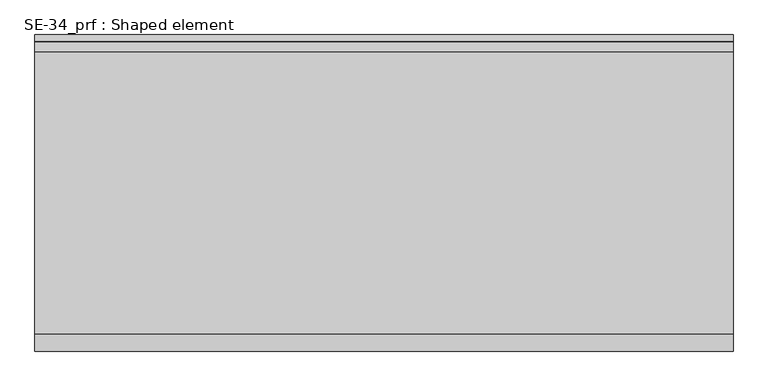
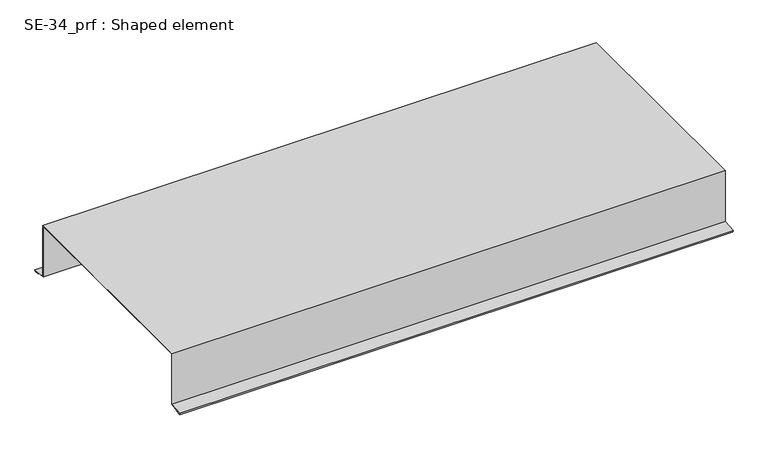
"""IFC4 building model written with IfcOpenShell, lengths in millimetres: proxy geometry, SE-34_prf : Shaped element."""

import ifcopenshell
import ifcopenshell.guid

model = None  # the IFC model being written
_history = None  # IfcOwnerHistory: only IFC2X3 demands one
_inside = {}  # id of a spatial element -> (the spatial element, [elements in it])
_under = {}  # id of a project, library or spatial element -> (it, [spatial elements below it])
_declared = {}  # id of a project -> (the project, [libraries it declares])
_typed = {}  # id of a type object -> (the type object, [elements of that type])
_made_of = {}  # id of a material, layer set ... -> (it, [elements and type objects made of it])


def new_model(schema):
    """Start an empty IFC model of exactly this schema.

    Asked for "IFC4X3", IfcOpenShell would pick the latest addendum, in which some entities
    have other attributes; the version numbers below select the first issue.
    IFC2X3 requires an IfcOwnerHistory on every rooted entity: one is made here for all.
    """
    global model, _history
    if schema == "IFC4X3":
        model = ifcopenshell.file(schema_version=(4, 3, 0, 0))
    else:
        model = ifcopenshell.file(schema=schema)
    _inside.clear()
    _under.clear()
    _declared.clear()
    _typed.clear()
    _made_of.clear()
    _history = None
    if model.schema == "IFC2X3":
        org = make("IfcOrganization", Name="unknown")
        user = make(
            "IfcPersonAndOrganization",
            ThePerson=make("IfcPerson", FamilyName="unknown"),
            TheOrganization=org,
        )
        app = make(
            "IfcApplication",
            ApplicationDeveloper=org,
            Version="unknown",
            ApplicationFullName="unknown",
            ApplicationIdentifier="unknown",
        )
        _history = make(
            "IfcOwnerHistory",
            OwningUser=user,
            OwningApplication=app,
            ChangeAction="ADDED",
            CreationDate=0,
        )
    return model


def make(cls, **values):
    """One entity of the class cls with the attributes given. An attribute that is None is left unset."""
    return model.create_entity(
        cls, **{name: value for name, value in values.items() if value is not None}
    )


def rooted(cls, **values):
    """An entity with a GlobalId (a new one), such as an element, a storey or a relation."""
    return make(cls, GlobalId=ifcopenshell.guid.new(), OwnerHistory=_history, **values)


def si_unit(unit_type, name, prefix=None):
    """IfcSIUnit, for example si_unit("LENGTHUNIT", "METRE", prefix="MILLI")."""
    return make("IfcSIUnit", UnitType=unit_type, Prefix=prefix, Name=name)


def assignment(units):
    """IfcUnitAssignment: the units of a project."""
    return None if units is None else make("IfcUnitAssignment", Units=units)


def point(xyz):
    """IfcCartesianPoint."""
    return None if xyz is None else make("IfcCartesianPoint", Coordinates=xyz)


def direction(xyz):
    """IfcDirection."""
    return None if xyz is None else make("IfcDirection", DirectionRatios=xyz)


def frame(location, z_axis=None, x_axis=None):
    """IfcAxis2Placement3D, a coordinate frame: its origin and axes. An axis left out is left unset."""
    return make(
        "IfcAxis2Placement3D",
        Location=point(location),
        Axis=direction(z_axis),
        RefDirection=direction(x_axis),
    )


def origin():
    """The frame at (0, 0, 0) with its axes left unset."""
    return frame((0.0, 0.0, 0.0))


def place(relative_to, where):
    """IfcLocalPlacement: puts the frame where relative to a parent placement (None: the world)."""
    return make(
        "IfcLocalPlacement", PlacementRelTo=relative_to, RelativePlacement=where
    )


def context(
    kind, dimensions, precision=None, world=None, true_north=None, identifier=None
):
    """IfcGeometricRepresentationContext, for example the 3D "Model" context."""
    return make(
        "IfcGeometricRepresentationContext",
        ContextIdentifier=identifier,
        ContextType=kind,
        CoordinateSpaceDimension=dimensions,
        Precision=precision,
        WorldCoordinateSystem=world,
        TrueNorth=true_north,
    )


def project(units=None, contexts=None):
    """IfcProject with its units and contexts."""
    return rooted(
        "IfcProject",
        Name="project",
        RepresentationContexts=contexts,
        UnitsInContext=assignment(units),
    )


def spatial(cls, under=None, at=None, **own):
    """A site, building, storey or space (cls), placed at a placement, below another one or the project."""
    s = rooted(cls, ObjectPlacement=at, **own)
    if under is not None:
        _under.setdefault(under.id(), (under, []))[1].append(s)
    return s


def faces_of(points, faces, orient=None, outer=None):
    """IfcFace entities. A face is a list of loops; a loop is a list of indices into points, from 0.

    orient and outer hold one flag for each loop. By default every Orientation is true, the
    first loop of a face is its IfcFaceOuterBound and the others are IfcFaceBound.
    """
    made = []
    for i, loops in enumerate(faces):
        bounds = []
        for j, loop in enumerate(loops):
            is_outer = j == 0 if outer is None else outer[i][j]
            bounds.append(
                make(
                    "IfcFaceOuterBound" if is_outer else "IfcFaceBound",
                    Bound=make("IfcPolyLoop", Polygon=[points[k] for k in loop]),
                    Orientation=True if orient is None else orient[i][j],
                )
            )
        made.append(make("IfcFace", Bounds=bounds))
    return made


def faceted_brep(points, faces, orient=None, outer=None, voids=None):
    """IfcFacetedBrep: a solid bounded by flat faces; with voids (closed shells), ...WithVoids."""
    shared = [point(p) for p in points]
    hull = make("IfcClosedShell", CfsFaces=faces_of(shared, faces, orient, outer))
    if voids is None:
        return make("IfcFacetedBrep", Outer=hull)
    return make(
        "IfcFacetedBrepWithVoids",
        Outer=hull,
        Voids=[
            make(cls, CfsFaces=faces_of(shared, fs, o, b)) for cls, fs, o, b in voids
        ],
    )


def shape(context_of_items, identifier, shape_type, items):
    """IfcShapeRepresentation: the items that make up one representation, for example the "Body"."""
    return make(
        "IfcShapeRepresentation",
        ContextOfItems=context_of_items,
        RepresentationIdentifier=identifier,
        RepresentationType=shape_type,
        Items=items,
    )


def source(mapping_origin, context_of_items, identifier, shape_type, items):
    """IfcRepresentationMap: a shape defined once, which mapped items show again and again."""
    return make(
        "IfcRepresentationMap",
        MappingOrigin=mapping_origin,
        MappedRepresentation=shape(context_of_items, identifier, shape_type, items),
    )


def transform(
    local_origin,
    x_axis=None,
    y_axis=None,
    z_axis=None,
    scale=None,
    scale2=None,
    scale3=None,
    uniform=True,
):
    """IfcCartesianTransformationOperator3D, or its non-uniform kind. x_axis, y_axis, z_axis: its Axis1, 2, 3."""
    if uniform:
        return make(
            "IfcCartesianTransformationOperator3D",
            Axis1=direction(x_axis),
            Axis2=direction(y_axis),
            LocalOrigin=point(local_origin),
            Scale=scale,
            Axis3=direction(z_axis),
        )
    return make(
        "IfcCartesianTransformationOperator3DnonUniform",
        Axis1=direction(x_axis),
        Axis2=direction(y_axis),
        LocalOrigin=point(local_origin),
        Scale=scale,
        Axis3=direction(z_axis),
        Scale2=scale2,
        Scale3=scale3,
    )


def mapped(mapping_source, mapping_target):
    """IfcMappedItem: shows the shape of a source again, moved by a transform."""
    return make(
        "IfcMappedItem", MappingSource=mapping_source, MappingTarget=mapping_target
    )


def made_of(thing, what):
    """Note that an element or type object is made of a material, layer set ...; save() writes the relation."""
    if what is not None:
        _made_of.setdefault(what.id(), (what, []))[1].append(thing)
    return thing


def element(
    cls,
    number,
    at=None,
    inside=None,
    cuts=None,
    type_object=None,
    material=None,
    context=None,
    identifier="Body",
    shape_type=None,
    held_by="IfcProductDefinitionShape",
    body=None,
    shapes=None,
    **own,
):
    """One element of the class cls, such as IfcWall. Its Tag is "e" and its number.

    at: its placement. inside: the storey or other place that contains it. cuts: it is an
    opening in that element (IfcRelVoidsElement). A single representation is given by context,
    identifier, shape_type and body (its items); several are given by shapes. held_by: the class
    of the entity that holds the representations. save() writes the other relations.
    """
    e = rooted(cls, Tag="e%d" % number, ObjectPlacement=at, **own)
    if body is not None:
        shapes = [shape(context, identifier, shape_type, body)]
    if shapes is not None:
        e.Representation = make(held_by, Representations=shapes)
    if inside is not None:
        _inside.setdefault(inside.id(), (inside, []))[1].append(e)
    if cuts is not None:
        rooted(
            "IfcRelVoidsElement", RelatingBuildingElement=cuts, RelatedOpeningElement=e
        )
    if type_object is not None:
        _typed.setdefault(type_object.id(), (type_object, []))[1].append(e)
    return made_of(e, material)


def aggregate(whole, parts):
    """IfcRelAggregates: a whole, such as a stair, and the parts it consists of."""
    return rooted("IfcRelAggregates", RelatingObject=whole, RelatedObjects=parts)


def save(model, path):
    """Write the relations noted so far, then the file.

    IfcRelAggregates (storeys below a building ...), IfcRelContainedInSpatialStructure (elements
    in a storey), IfcRelDefinesByType, IfcRelAssociatesMaterial and IfcRelDeclares: one each for
    every whole, place, type object, material and project.
    """
    for whole, parts in _under.values():
        aggregate(whole, parts)
    for where, things in _inside.values():
        rooted(
            "IfcRelContainedInSpatialStructure",
            RelatedElements=things,
            RelatingStructure=where,
        )
    for kind, things in _typed.values():
        rooted("IfcRelDefinesByType", RelatedObjects=things, RelatingType=kind)
    for what, things in _made_of.values():
        rooted("IfcRelAssociatesMaterial", RelatedObjects=things, RelatingMaterial=what)
    for by, libraries in _declared.values():
        rooted("IfcRelDeclares", RelatingContext=by, RelatedDefinitions=libraries)
    model.write(path)


def se_34_prf_shaped_element_40dbd7dd(model_context):
    return source(origin(), model_context, "Body", "Brep", [
        faceted_brep([(1005.0, 202.0, 0.0), (1005.0, 203.0, 0.0), (1005.0, 203.0, 3.0), (1005.0, -203.0, 3.0), (1005.0, -203.0, 0.0), (1005.0, -202.0, 0.0), (1005.0, -202.0, 2.0), (1005.0, 202.0, 2.0), (1005.0, 202.0, -94.9685813), (1005.0, 226.763997, -97.5713823), (1005.0, 226.6594686, -98.5659042), (1005.0, 217.7087715, -97.625148), (1005.0, 217.604243, -98.6196699), (1005.0, 227.549462, -99.6649546), (1005.0, 227.8630474, -96.6813889), (1005.0, 203.0, -94.0681773), (1005.0, -203.0, -94.0681773), (1005.0, -227.8630474, -96.6813889), (1005.0, -227.549462, -99.6649546), (1005.0, -217.604243, -98.6196699), (1005.0, -217.7087715, -97.625148), (1005.0, -226.6594686, -98.5659042), (1005.0, -226.763997, -97.5713823), (1005.0, -202.0, -94.9685813), (0.0, 203.0, 0.0), (0.0, 202.0, 0.0), (0.0, 202.0, 2.0), (0.0, -202.0, 2.0), (0.0, -202.0, 0.0), (0.0, -203.0, 0.0), (0.0, -203.0, 3.0), (0.0, 203.0, 3.0), (0.0, 203.0, -94.0681773), (0.0, 227.8630474, -96.6813889), (0.0, 227.549462, -99.6649546), (0.0, 217.604243, -98.6196699), (0.0, 217.7087715, -97.625148), (0.0, 226.6594686, -98.5659042), (0.0, 226.763997, -97.5713823), (0.0, 202.0, -94.9685813), (0.0, -202.0, -94.9685813), (0.0, -226.763997, -97.5713823), (0.0, -226.6594686, -98.5659042), (0.0, -217.7087715, -97.625148), (0.0, -217.604243, -98.6196699), (0.0, -227.549462, -99.6649546), (0.0, -227.8630474, -96.6813889), (0.0, -203.0, -94.0681773)], [[[0, 1, 2, 3, 4, 5, 6, 7]], [[1, 0, 8, 9, 10, 11, 12, 13, 14, 15]], [[5, 4, 16, 17, 18, 19, 20, 21, 22, 23]], [[24, 25, 26, 27, 28, 29, 30, 31]], [[25, 24, 32, 33, 34, 35, 36, 37, 38, 39]], [[29, 28, 40, 41, 42, 43, 44, 45, 46, 47]], [[17, 16, 47, 46]], [[4, 3, 30, 29, 47, 16]], [[3, 2, 31, 30]], [[2, 1, 15, 32, 24, 31]], [[15, 14, 33, 32]], [[14, 13, 34, 33]], [[13, 12, 35, 34]], [[12, 11, 36, 35]], [[11, 10, 37, 36]], [[10, 9, 38, 37]], [[9, 8, 39, 38]], [[0, 7, 26, 25, 39, 8]], [[7, 6, 27, 26]], [[6, 5, 23, 40, 28, 27]], [[23, 22, 41, 40]], [[22, 21, 42, 41]], [[21, 20, 43, 42]], [[20, 19, 44, 43]], [[19, 18, 45, 44]], [[18, 17, 46, 45]]]),
    ])


if __name__ == "__main__":
    model = new_model("IFC4")
    model_context = context("Model", 3, world=origin())
    ifc_project = project(units=[si_unit("LENGTHUNIT", "METRE", prefix="MILLI")], contexts=[model_context])
    site = spatial("IfcSite", under=ifc_project)
    building = spatial("IfcBuilding", under=site)
    placement = place(None, origin())
    se_34_prf_shaped_element_shape = se_34_prf_shaped_element_40dbd7dd(model_context)
    element("IfcBuildingElementProxy", 1, Name="SE-34_prf : Shaped element", ObjectType="SE-34_prf : Shaped element", at=placement, inside=building, context=model_context, shape_type="MappedRepresentation", body=[
        mapped(se_34_prf_shaped_element_shape, transform((0.0, 0.0, 0.0), x_axis=(1.0, 0.0, 0.0), y_axis=(0.0, 1.0, 0.0), z_axis=(0.0, 0.0, 1.0))),
    ])
    save(model, "model.ifc")
